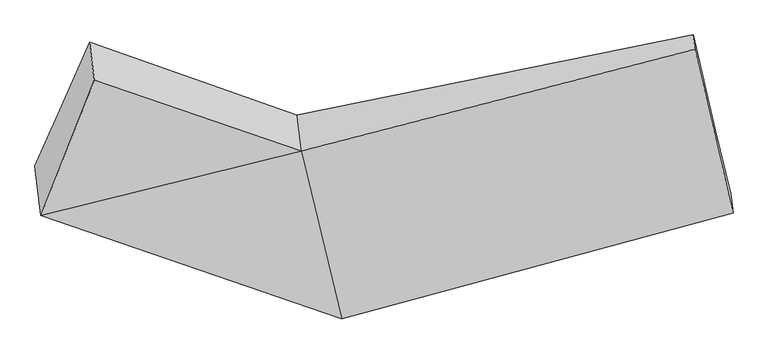
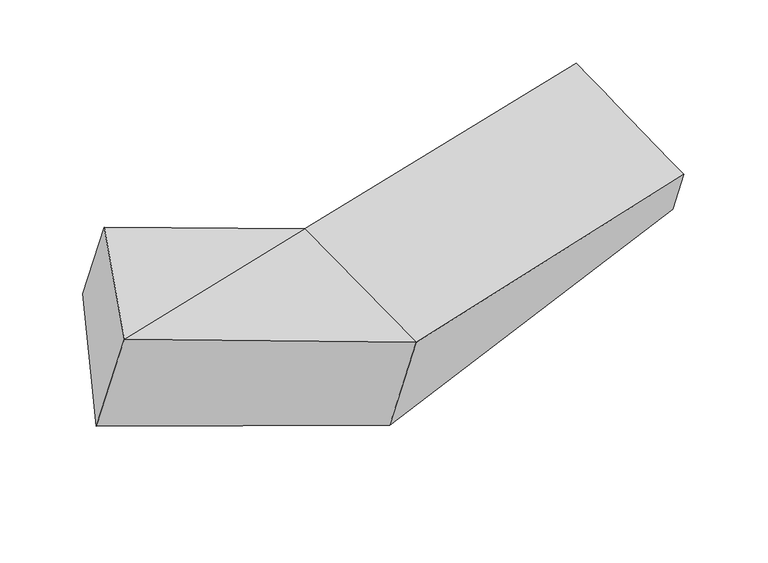
"""IFC4 building model written with IfcOpenShell, lengths in millimetres: proxy geometry."""

import ifcopenshell
import ifcopenshell.guid

model = None  # the IFC model being written
_history = None  # IfcOwnerHistory: only IFC2X3 demands one
_inside = {}  # id of a spatial element -> (the spatial element, [elements in it])
_under = {}  # id of a project, library or spatial element -> (it, [spatial elements below it])
_declared = {}  # id of a project -> (the project, [libraries it declares])
_typed = {}  # id of a type object -> (the type object, [elements of that type])
_made_of = {}  # id of a material, layer set ... -> (it, [elements and type objects made of it])


def new_model(schema):
    """Start an empty IFC model of exactly this schema.

    Asked for "IFC4X3", IfcOpenShell would pick the latest addendum, in which some entities
    have other attributes; the version numbers below select the first issue.
    IFC2X3 requires an IfcOwnerHistory on every rooted entity: one is made here for all.
    """
    global model, _history
    if schema == "IFC4X3":
        model = ifcopenshell.file(schema_version=(4, 3, 0, 0))
    else:
        model = ifcopenshell.file(schema=schema)
    _inside.clear()
    _under.clear()
    _declared.clear()
    _typed.clear()
    _made_of.clear()
    _history = None
    if model.schema == "IFC2X3":
        org = make("IfcOrganization", Name="unknown")
        user = make(
            "IfcPersonAndOrganization",
            ThePerson=make("IfcPerson", FamilyName="unknown"),
            TheOrganization=org,
        )
        app = make(
            "IfcApplication",
            ApplicationDeveloper=org,
            Version="unknown",
            ApplicationFullName="unknown",
            ApplicationIdentifier="unknown",
        )
        _history = make(
            "IfcOwnerHistory",
            OwningUser=user,
            OwningApplication=app,
            ChangeAction="ADDED",
            CreationDate=0,
        )
    return model


def make(cls, **values):
    """One entity of the class cls with the attributes given. An attribute that is None is left unset."""
    return model.create_entity(
        cls, **{name: value for name, value in values.items() if value is not None}
    )


def rooted(cls, **values):
    """An entity with a GlobalId (a new one), such as an element, a storey or a relation."""
    return make(cls, GlobalId=ifcopenshell.guid.new(), OwnerHistory=_history, **values)


def si_unit(unit_type, name, prefix=None):
    """IfcSIUnit, for example si_unit("LENGTHUNIT", "METRE", prefix="MILLI")."""
    return make("IfcSIUnit", UnitType=unit_type, Prefix=prefix, Name=name)


def assignment(units):
    """IfcUnitAssignment: the units of a project."""
    return None if units is None else make("IfcUnitAssignment", Units=units)


def point(xyz):
    """IfcCartesianPoint."""
    return None if xyz is None else make("IfcCartesianPoint", Coordinates=xyz)


def direction(xyz):
    """IfcDirection."""
    return None if xyz is None else make("IfcDirection", DirectionRatios=xyz)


def frame(location, z_axis=None, x_axis=None):
    """IfcAxis2Placement3D, a coordinate frame: its origin and axes. An axis left out is left unset."""
    return make(
        "IfcAxis2Placement3D",
        Location=point(location),
        Axis=direction(z_axis),
        RefDirection=direction(x_axis),
    )


def origin():
    """The frame at (0, 0, 0) with its axes left unset."""
    return frame((0.0, 0.0, 0.0))


def place(relative_to, where):
    """IfcLocalPlacement: puts the frame where relative to a parent placement (None: the world)."""
    return make(
        "IfcLocalPlacement", PlacementRelTo=relative_to, RelativePlacement=where
    )


def context(
    kind, dimensions, precision=None, world=None, true_north=None, identifier=None
):
    """IfcGeometricRepresentationContext, for example the 3D "Model" context."""
    return make(
        "IfcGeometricRepresentationContext",
        ContextIdentifier=identifier,
        ContextType=kind,
        CoordinateSpaceDimension=dimensions,
        Precision=precision,
        WorldCoordinateSystem=world,
        TrueNorth=true_north,
    )


def project(units=None, contexts=None):
    """IfcProject with its units and contexts."""
    return rooted(
        "IfcProject",
        Name="project",
        RepresentationContexts=contexts,
        UnitsInContext=assignment(units),
    )


def spatial(cls, under=None, at=None, **own):
    """A site, building, storey or space (cls), placed at a placement, below another one or the project."""
    s = rooted(cls, ObjectPlacement=at, **own)
    if under is not None:
        _under.setdefault(under.id(), (under, []))[1].append(s)
    return s


def shape(context_of_items, identifier, shape_type, items):
    """IfcShapeRepresentation: the items that make up one representation, for example the "Body"."""
    return make(
        "IfcShapeRepresentation",
        ContextOfItems=context_of_items,
        RepresentationIdentifier=identifier,
        RepresentationType=shape_type,
        Items=items,
    )


def source(mapping_origin, context_of_items, identifier, shape_type, items):
    """IfcRepresentationMap: a shape defined once, which mapped items show again and again."""
    return make(
        "IfcRepresentationMap",
        MappingOrigin=mapping_origin,
        MappedRepresentation=shape(context_of_items, identifier, shape_type, items),
    )


def transform(
    local_origin,
    x_axis=None,
    y_axis=None,
    z_axis=None,
    scale=None,
    scale2=None,
    scale3=None,
    uniform=True,
):
    """IfcCartesianTransformationOperator3D, or its non-uniform kind. x_axis, y_axis, z_axis: its Axis1, 2, 3."""
    if uniform:
        return make(
            "IfcCartesianTransformationOperator3D",
            Axis1=direction(x_axis),
            Axis2=direction(y_axis),
            LocalOrigin=point(local_origin),
            Scale=scale,
            Axis3=direction(z_axis),
        )
    return make(
        "IfcCartesianTransformationOperator3DnonUniform",
        Axis1=direction(x_axis),
        Axis2=direction(y_axis),
        LocalOrigin=point(local_origin),
        Scale=scale,
        Axis3=direction(z_axis),
        Scale2=scale2,
        Scale3=scale3,
    )


def mapped(mapping_source, mapping_target):
    """IfcMappedItem: shows the shape of a source again, moved by a transform."""
    return make(
        "IfcMappedItem", MappingSource=mapping_source, MappingTarget=mapping_target
    )


def made_of(thing, what):
    """Note that an element or type object is made of a material, layer set ...; save() writes the relation."""
    if what is not None:
        _made_of.setdefault(what.id(), (what, []))[1].append(thing)
    return thing


def element(
    cls,
    number,
    at=None,
    inside=None,
    cuts=None,
    type_object=None,
    material=None,
    context=None,
    identifier="Body",
    shape_type=None,
    held_by="IfcProductDefinitionShape",
    body=None,
    shapes=None,
    **own,
):
    """One element of the class cls, such as IfcWall. Its Tag is "e" and its number.

    at: its placement. inside: the storey or other place that contains it. cuts: it is an
    opening in that element (IfcRelVoidsElement). A single representation is given by context,
    identifier, shape_type and body (its items); several are given by shapes. held_by: the class
    of the entity that holds the representations. save() writes the other relations.
    """
    e = rooted(cls, Tag="e%d" % number, ObjectPlacement=at, **own)
    if body is not None:
        shapes = [shape(context, identifier, shape_type, body)]
    if shapes is not None:
        e.Representation = make(held_by, Representations=shapes)
    if inside is not None:
        _inside.setdefault(inside.id(), (inside, []))[1].append(e)
    if cuts is not None:
        rooted(
            "IfcRelVoidsElement", RelatingBuildingElement=cuts, RelatedOpeningElement=e
        )
    if type_object is not None:
        _typed.setdefault(type_object.id(), (type_object, []))[1].append(e)
    return made_of(e, material)


def aggregate(whole, parts):
    """IfcRelAggregates: a whole, such as a stair, and the parts it consists of."""
    return rooted("IfcRelAggregates", RelatingObject=whole, RelatedObjects=parts)


def save(model, path):
    """Write the relations noted so far, then the file.

    IfcRelAggregates (storeys below a building ...), IfcRelContainedInSpatialStructure (elements
    in a storey), IfcRelDefinesByType, IfcRelAssociatesMaterial and IfcRelDeclares: one each for
    every whole, place, type object, material and project.
    """
    for whole, parts in _under.values():
        aggregate(whole, parts)
    for where, things in _inside.values():
        rooted(
            "IfcRelContainedInSpatialStructure",
            RelatedElements=things,
            RelatingStructure=where,
        )
    for kind, things in _typed.values():
        rooted("IfcRelDefinesByType", RelatedObjects=things, RelatingType=kind)
    for what, things in _made_of.values():
        rooted("IfcRelAssociatesMaterial", RelatedObjects=things, RelatingMaterial=what)
    for by, libraries in _declared.values():
        rooted("IfcRelDeclares", RelatingContext=by, RelatedDefinitions=libraries)
    model.write(path)


def plane_surface(at):
    """IfcPlane: the flat surface through the origin of the frame at, square to its z axis."""
    return make("IfcPlane", Position=at)


def spline_surface(u_degree, v_degree, points, u_multiplicities, v_multiplicities, u_knots, v_knots, weights=None):
    """IfcBSplineSurfaceWithKnots; with weights, IfcRationalBSplineSurfaceWithKnots. points: one row for each step in u."""
    own = dict(
        UDegree=u_degree,
        VDegree=v_degree,
        ControlPointsList=[[point(p) for p in row] for row in points],
        SurfaceForm="UNSPECIFIED",
        UClosed=False,
        VClosed=False,
        SelfIntersect=False,
        UMultiplicities=u_multiplicities,
        VMultiplicities=v_multiplicities,
        UKnots=u_knots,
        VKnots=v_knots,
        KnotSpec="UNSPECIFIED",
    )
    if weights is None:
        return make("IfcBSplineSurfaceWithKnots", **own)
    return make("IfcRationalBSplineSurfaceWithKnots", WeightsData=weights, **own)


def advanced_brep(points, edges, surfaces, faces):
    """IfcAdvancedBrep: a solid bounded by faces that lie on surfaces and meet in shared edges.

    An edge is (start, end): straight between two places in points (the first is 0);
    or (start, end, curve); or (start, end, curve, False) where it runs against its curve.
    A face is (place in surfaces, loops), or (place, loops, False) where it looks against
    its surface's normal. A loop lists edges by number (the first is 1), with a minus sign
    where the edge is run from its end to its start. The first loop is the outer one.
    """
    corners = [point(p) for p in points]
    vertices = [make("IfcVertexPoint", VertexGeometry=c) for c in corners]
    made = []
    for start, end, *more in edges:
        made.append(
            make(
                "IfcEdgeCurve",
                EdgeStart=vertices[start],
                EdgeEnd=vertices[end],
                EdgeGeometry=more[0] if more else make("IfcPolyline", Points=[corners[start], corners[end]]),
                SameSense=more[1] if len(more) > 1 else True,
            )
        )
    hull = []
    for where, loops, *sense in faces:
        bounds = []
        for j, loop in enumerate(loops):
            ring = [make("IfcOrientedEdge", EdgeElement=made[abs(k) - 1], Orientation=k > 0) for k in loop]
            bounds.append(
                make(
                    "IfcFaceOuterBound" if j == 0 else "IfcFaceBound",
                    Bound=make("IfcEdgeLoop", EdgeList=ring),
                    Orientation=True,
                )
            )
        hull.append(make("IfcAdvancedFace", Bounds=bounds, FaceSurface=surfaces[where], SameSense=sense[0] if sense else True))
    return make("IfcAdvancedBrep", Outer=make("IfcClosedShell", CfsFaces=hull))


def generic_models_81dfc90e(model_context):
    return source(origin(), model_context, "Body", "AdvancedBrep", [
        advanced_brep(
        [(-1505.5401809, -1862.8093081, 2203.4826908), (-1533.2538059, -1635.2283556, 1554.191522), (-150.1101887, -2119.6406174, 1369.1856467), (-123.6749242, -2336.7238268, 1988.5266292), (-1260.7375037, -1240.7345601, 2411.0752173), (-310.8561698, -1566.4667329, 2266.4963948), (-1281.9894975, -1066.2157448, 1913.1709581), (-331.0971235, -1400.2504575, 1792.279381), (-1429.2258435, -1397.974578, 1699.3038213), (-159.4878776, -1832.5669757, 1526.0778813), (1489.4036669, -1032.0811953, 2154.7240925), (1497.4531864, -1098.1828814, 2343.3129902), (1672.1427631, -1851.903649, 2071.6724995), (1661.128433, -1761.4552962, 1813.6222714), (1590.6862461, -1469.0779804, 1997.230726)],
        [
            (0, 1),
            (1, 2),
            (2, 3),
            (3, 0),
            (4, 0),
            (0, 5),
            (5, 4),
            (6, 4),
            (5, 7),
            (7, 6),
            (8, 6),
            (7, 9),
            (9, 8),
            (1, 8),
            (9, 2),
            (10, 11),
            (11, 12),
            (12, 13),
            (13, 14),
            (14, 10),
            (3, 5),
            (5, 11),
            (10, 7),
            (3, 12),
            (2, 13),
            (9, 14),
        ],
        [
            plane_surface(frame((-1519.3969934, -1749.0188319, 1878.8371064), z_axis=(-0.3507585789060512, -0.8883242827121627, -0.29639228746330315), x_axis=(-0.04024759798678151, 0.33050843018862175, -0.9429444885201607))),
            plane_surface(frame((-1383.1388423, -1551.7719341, 2307.278954), z_axis=(0.03142790163560523, -0.3274995143933443, 0.9443285207335986), x_axis=(-0.3497181103407155, -0.8886782115069336, -0.2965607521108567))),
            plane_surface(frame((-1271.3635006, -1153.4751524, 2162.1230877), z_axis=(0.34986275854687493, 0.8886290820937616, 0.29653735791493474), x_axis=(0.040247597986793705, -0.3305084301886198, 0.9429444885201609))),
            spline_surface(1, 1, [[(-1429.2258435, -1397.974578, 1699.3038213), (-159.4878776, -1832.5669757, 1526.0778813)], [(-1281.9894975, -1066.2157448, 1913.1709581), (-331.0971235, -1400.2504575, 1792.279381)]], [2, 2], [2, 2], [0.0, 1.0], [0.0, 1.0]),
            spline_surface(1, 1, [[(-1533.2538059, -1635.2283556, 1554.191522), (-150.1101887, -2119.6406174, 1369.1856467)], [(-1429.2258435, -1397.974578, 1699.3038213), (-159.4878776, -1832.5669757, 1526.0778813)]], [2, 2], [2, 2], [0.0, 1.0], [0.0, 1.0]),
            plane_surface(frame((1582.1628591, -1442.5402005, 2076.1125159), z_axis=(0.9762150194233081, 0.21421396430491246, 0.03341576497887998), x_axis=(0.040247597986752884, -0.3305084301886275, 0.9429444885201599))),
            plane_surface(frame((-1402.1493663, -1440.5925093, 1956.2448419), z_axis=(-0.9359900502441346, 0.3178289067518609, 0.1513519470535468), x_axis=(0.040247597986735474, -0.33050843018863196, 0.9429444885201591))),
            plane_surface(frame((-1505.5401809, -1862.8093081, 2203.4826908), z_axis=(0.032691235803030655, -0.33223162452458044, 0.9426311212597581), x_axis=(0.22283481613094341, -0.9169727308411335, -0.3309163876474581))),
            plane_surface(frame((-320.9766466, -1483.3585952, 2029.3878879), z_axis=(-0.24977307137866117, 0.9104204727891961, 0.32976957946476404), x_axis=(0.040247597986752884, -0.3305084301886275, 0.9429444885201599))),
            spline_surface(1, 1, [[(-310.8561698, -1566.4667329, 2266.4963948), (1497.4531864, -1098.1828814, 2343.3129902)], [(-123.6749242, -2336.7238268, 1988.5266292), (1672.1427631, -1851.903649, 2071.6724995)]], [2, 2], [2, 2], [0.0, 1.0], [0.0, 1.0]),
            plane_surface(frame((-136.8925564, -2228.1822221, 1678.8561379), z_axis=(0.2602865885581777, -0.907659096680356, -0.3292504457554251), x_axis=(-0.0402475979867347, 0.3305084301886313, -0.9429444885201593))),
            spline_surface(1, 1, [[(-150.1101887, -2119.6406174, 1369.1856467), (1661.128433, -1761.4552962, 1813.6222714)], [(-159.4878776, -1832.5669757, 1526.0778813), (1590.6862461, -1469.0779804, 1997.230726)]], [2, 2], [2, 2], [0.0, 1.0], [0.0, 1.0]),
            spline_surface(1, 1, [[(-159.4878776, -1832.5669757, 1526.0778813), (1590.6862461, -1469.0779804, 1997.230726)], [(-331.0971235, -1400.2504575, 1792.279381), (1489.4036669, -1032.0811953, 2154.7240925)]], [2, 2], [2, 2], [0.0, 1.0], [0.0, 1.0]),
        ],
        [
            (0, [[1, 2, 3, 4]]),
            (1, [[5, 6, 7]]),
            (2, [[8, -7, 9, 10]]),
            (3, [[11, -10, 12, 13]]),
            (4, [[14, -13, 15, -2]]),
            (5, [[16, 17, 18, 19, 20]]),
            (6, [[-1, -5, -8, -11, -14]]),
            (7, [[21, -6, -4]]),
            (8, [[-9, 22, -16, 23]]),
            (9, [[-21, 24, -17, -22]]),
            (10, [[-3, 25, -18, -24]]),
            (11, [[-15, 26, -19, -25]]),
            (12, [[-12, -23, -20, -26]]),
        ],
    ),
    ])


if __name__ == "__main__":
    model = new_model("IFC4")
    model_context = context("Model", 3, world=origin())
    ifc_project = project(units=[si_unit("LENGTHUNIT", "METRE", prefix="MILLI")], contexts=[model_context])
    site = spatial("IfcSite", under=ifc_project)
    building = spatial("IfcBuilding", under=site)
    placement = place(None, origin())
    generic_models_shape = generic_models_81dfc90e(model_context)
    element("IfcBuildingElementProxy", 1, Name="Generic Models", at=placement, inside=building, context=model_context, shape_type="MappedRepresentation", body=[
        mapped(generic_models_shape, transform((0.0, 0.0, 0.0), x_axis=(1.0, 0.0, 0.0), y_axis=(0.0, 1.0, 0.0), z_axis=(0.0, 0.0, 1.0))),
    ])
    save(model, "model.ifc")
